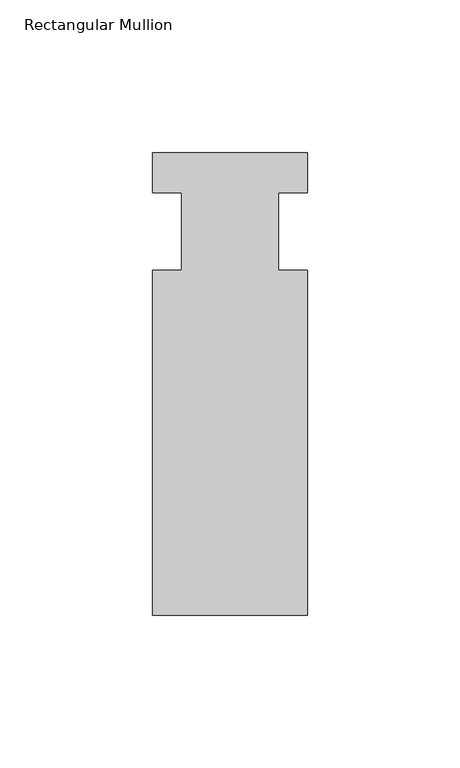
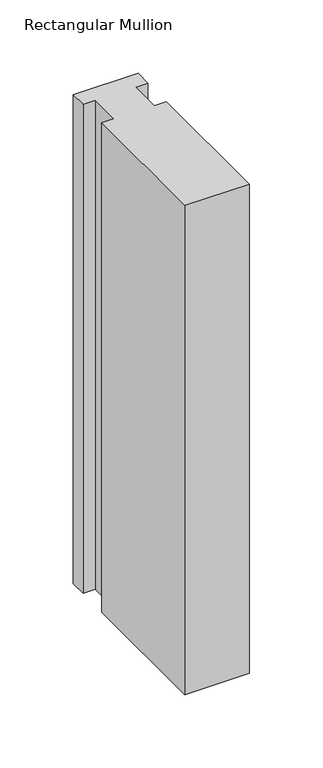
"""IFC4 building model written with IfcOpenShell, lengths in millimetres: member geometry, Rectangular Mullion."""

import ifcopenshell
import ifcopenshell.guid

model = None  # the IFC model being written
_history = None  # IfcOwnerHistory: only IFC2X3 demands one
_inside = {}  # id of a spatial element -> (the spatial element, [elements in it])
_under = {}  # id of a project, library or spatial element -> (it, [spatial elements below it])
_declared = {}  # id of a project -> (the project, [libraries it declares])
_typed = {}  # id of a type object -> (the type object, [elements of that type])
_made_of = {}  # id of a material, layer set ... -> (it, [elements and type objects made of it])


def new_model(schema):
    """Start an empty IFC model of exactly this schema.

    Asked for "IFC4X3", IfcOpenShell would pick the latest addendum, in which some entities
    have other attributes; the version numbers below select the first issue.
    IFC2X3 requires an IfcOwnerHistory on every rooted entity: one is made here for all.
    """
    global model, _history
    if schema == "IFC4X3":
        model = ifcopenshell.file(schema_version=(4, 3, 0, 0))
    else:
        model = ifcopenshell.file(schema=schema)
    _inside.clear()
    _under.clear()
    _declared.clear()
    _typed.clear()
    _made_of.clear()
    _history = None
    if model.schema == "IFC2X3":
        org = make("IfcOrganization", Name="unknown")
        user = make(
            "IfcPersonAndOrganization",
            ThePerson=make("IfcPerson", FamilyName="unknown"),
            TheOrganization=org,
        )
        app = make(
            "IfcApplication",
            ApplicationDeveloper=org,
            Version="unknown",
            ApplicationFullName="unknown",
            ApplicationIdentifier="unknown",
        )
        _history = make(
            "IfcOwnerHistory",
            OwningUser=user,
            OwningApplication=app,
            ChangeAction="ADDED",
            CreationDate=0,
        )
    return model


def make(cls, **values):
    """One entity of the class cls with the attributes given. An attribute that is None is left unset."""
    return model.create_entity(
        cls, **{name: value for name, value in values.items() if value is not None}
    )


def rooted(cls, **values):
    """An entity with a GlobalId (a new one), such as an element, a storey or a relation."""
    return make(cls, GlobalId=ifcopenshell.guid.new(), OwnerHistory=_history, **values)


def si_unit(unit_type, name, prefix=None):
    """IfcSIUnit, for example si_unit("LENGTHUNIT", "METRE", prefix="MILLI")."""
    return make("IfcSIUnit", UnitType=unit_type, Prefix=prefix, Name=name)


def assignment(units):
    """IfcUnitAssignment: the units of a project."""
    return None if units is None else make("IfcUnitAssignment", Units=units)


def point(xyz):
    """IfcCartesianPoint."""
    return None if xyz is None else make("IfcCartesianPoint", Coordinates=xyz)


def direction(xyz):
    """IfcDirection."""
    return None if xyz is None else make("IfcDirection", DirectionRatios=xyz)


def frame(location, z_axis=None, x_axis=None):
    """IfcAxis2Placement3D, a coordinate frame: its origin and axes. An axis left out is left unset."""
    return make(
        "IfcAxis2Placement3D",
        Location=point(location),
        Axis=direction(z_axis),
        RefDirection=direction(x_axis),
    )


def origin():
    """The frame at (0, 0, 0) with its axes left unset."""
    return frame((0.0, 0.0, 0.0))


def place(relative_to, where):
    """IfcLocalPlacement: puts the frame where relative to a parent placement (None: the world)."""
    return make(
        "IfcLocalPlacement", PlacementRelTo=relative_to, RelativePlacement=where
    )


def context(
    kind, dimensions, precision=None, world=None, true_north=None, identifier=None
):
    """IfcGeometricRepresentationContext, for example the 3D "Model" context."""
    return make(
        "IfcGeometricRepresentationContext",
        ContextIdentifier=identifier,
        ContextType=kind,
        CoordinateSpaceDimension=dimensions,
        Precision=precision,
        WorldCoordinateSystem=world,
        TrueNorth=true_north,
    )


def project(units=None, contexts=None):
    """IfcProject with its units and contexts."""
    return rooted(
        "IfcProject",
        Name="project",
        RepresentationContexts=contexts,
        UnitsInContext=assignment(units),
    )


def spatial(cls, under=None, at=None, **own):
    """A site, building, storey or space (cls), placed at a placement, below another one or the project."""
    s = rooted(cls, ObjectPlacement=at, **own)
    if under is not None:
        _under.setdefault(under.id(), (under, []))[1].append(s)
    return s


def polyline(points):
    """IfcPolyline through the points."""
    return make("IfcPolyline", Points=[point(p) for p in points])


def outline(outer, holes=None, kind="AREA"):
    """IfcArbitraryClosedProfileDef: a profile drawn as a closed curve; with holes, ...WithVoids."""
    if holes is None:
        return make("IfcArbitraryClosedProfileDef", ProfileType=kind, OuterCurve=outer)
    return make(
        "IfcArbitraryProfileDefWithVoids",
        ProfileType=kind,
        OuterCurve=outer,
        InnerCurves=holes,
    )


def extrude(swept, where, along, depth):
    """IfcExtrudedAreaSolid: the profile swept, set in the frame where, extruded along a direction by depth."""
    return make(
        "IfcExtrudedAreaSolid",
        SweptArea=swept,
        Position=where,
        ExtrudedDirection=direction(along),
        Depth=depth,
    )


def shape(context_of_items, identifier, shape_type, items):
    """IfcShapeRepresentation: the items that make up one representation, for example the "Body"."""
    return make(
        "IfcShapeRepresentation",
        ContextOfItems=context_of_items,
        RepresentationIdentifier=identifier,
        RepresentationType=shape_type,
        Items=items,
    )


def source(mapping_origin, context_of_items, identifier, shape_type, items):
    """IfcRepresentationMap: a shape defined once, which mapped items show again and again."""
    return make(
        "IfcRepresentationMap",
        MappingOrigin=mapping_origin,
        MappedRepresentation=shape(context_of_items, identifier, shape_type, items),
    )


def transform(
    local_origin,
    x_axis=None,
    y_axis=None,
    z_axis=None,
    scale=None,
    scale2=None,
    scale3=None,
    uniform=True,
):
    """IfcCartesianTransformationOperator3D, or its non-uniform kind. x_axis, y_axis, z_axis: its Axis1, 2, 3."""
    if uniform:
        return make(
            "IfcCartesianTransformationOperator3D",
            Axis1=direction(x_axis),
            Axis2=direction(y_axis),
            LocalOrigin=point(local_origin),
            Scale=scale,
            Axis3=direction(z_axis),
        )
    return make(
        "IfcCartesianTransformationOperator3DnonUniform",
        Axis1=direction(x_axis),
        Axis2=direction(y_axis),
        LocalOrigin=point(local_origin),
        Scale=scale,
        Axis3=direction(z_axis),
        Scale2=scale2,
        Scale3=scale3,
    )


def mapped(mapping_source, mapping_target):
    """IfcMappedItem: shows the shape of a source again, moved by a transform."""
    return make(
        "IfcMappedItem", MappingSource=mapping_source, MappingTarget=mapping_target
    )


def made_of(thing, what):
    """Note that an element or type object is made of a material, layer set ...; save() writes the relation."""
    if what is not None:
        _made_of.setdefault(what.id(), (what, []))[1].append(thing)
    return thing


def element(
    cls,
    number,
    at=None,
    inside=None,
    cuts=None,
    type_object=None,
    material=None,
    context=None,
    identifier="Body",
    shape_type=None,
    held_by="IfcProductDefinitionShape",
    body=None,
    shapes=None,
    **own,
):
    """One element of the class cls, such as IfcWall. Its Tag is "e" and its number.

    at: its placement. inside: the storey or other place that contains it. cuts: it is an
    opening in that element (IfcRelVoidsElement). A single representation is given by context,
    identifier, shape_type and body (its items); several are given by shapes. held_by: the class
    of the entity that holds the representations. save() writes the other relations.
    """
    e = rooted(cls, Tag="e%d" % number, ObjectPlacement=at, **own)
    if body is not None:
        shapes = [shape(context, identifier, shape_type, body)]
    if shapes is not None:
        e.Representation = make(held_by, Representations=shapes)
    if inside is not None:
        _inside.setdefault(inside.id(), (inside, []))[1].append(e)
    if cuts is not None:
        rooted(
            "IfcRelVoidsElement", RelatingBuildingElement=cuts, RelatedOpeningElement=e
        )
    if type_object is not None:
        _typed.setdefault(type_object.id(), (type_object, []))[1].append(e)
    return made_of(e, material)


def aggregate(whole, parts):
    """IfcRelAggregates: a whole, such as a stair, and the parts it consists of."""
    return rooted("IfcRelAggregates", RelatingObject=whole, RelatedObjects=parts)


def save(model, path):
    """Write the relations noted so far, then the file.

    IfcRelAggregates (storeys below a building ...), IfcRelContainedInSpatialStructure (elements
    in a storey), IfcRelDefinesByType, IfcRelAssociatesMaterial and IfcRelDeclares: one each for
    every whole, place, type object, material and project.
    """
    for whole, parts in _under.values():
        aggregate(whole, parts)
    for where, things in _inside.values():
        rooted(
            "IfcRelContainedInSpatialStructure",
            RelatedElements=things,
            RelatingStructure=where,
        )
    for kind, things in _typed.values():
        rooted("IfcRelDefinesByType", RelatedObjects=things, RelatingType=kind)
    for what, things in _made_of.values():
        rooted("IfcRelAssociatesMaterial", RelatedObjects=things, RelatingMaterial=what)
    for by, libraries in _declared.values():
        rooted("IfcRelDeclares", RelatingContext=by, RelatedDefinitions=libraries)
    model.write(path)


def rectangular_mullion_02f92a6b(model_context):
    return source(origin(), model_context, "Body", "SweptSolid", [
        extrude(outline(polyline([(-25.4, 25.796875), (25.4, 25.796875), (25.4, 12.7), (15.875, 12.7), (15.875, -12.7), (25.4, -12.7), (25.4, -125.809375), (-25.4, -125.809375), (-25.4, -12.7), (-15.875, -12.7), (-15.875, 12.7), (-25.4, 12.7), (-25.4, 25.796875)])), frame((0.0, 0.0, -406.4), z_axis=(0.0, 0.0, 1.0), x_axis=(1.0, 0.0, 0.0)), (0.0, 0.0, 1.0), 406.4),
    ])


if __name__ == "__main__":
    model = new_model("IFC4")
    model_context = context("Model", 3, world=origin())
    ifc_project = project(units=[si_unit("LENGTHUNIT", "METRE", prefix="MILLI")], contexts=[model_context])
    site = spatial("IfcSite", under=ifc_project)
    building = spatial("IfcBuilding", under=site)
    placement = place(None, origin())
    rectangular_mullion_shape = rectangular_mullion_02f92a6b(model_context)
    element("IfcMember", 1, ObjectType="Rectangular Mullion", at=placement, inside=building, context=model_context, shape_type="MappedRepresentation", body=[
        mapped(rectangular_mullion_shape, transform((0.0, 0.0, 0.0), x_axis=(1.0, 0.0, 0.0), y_axis=(0.0, 1.0, 0.0), z_axis=(0.0, 0.0, 1.0))),
    ])
    save(model, "model.ifc")
